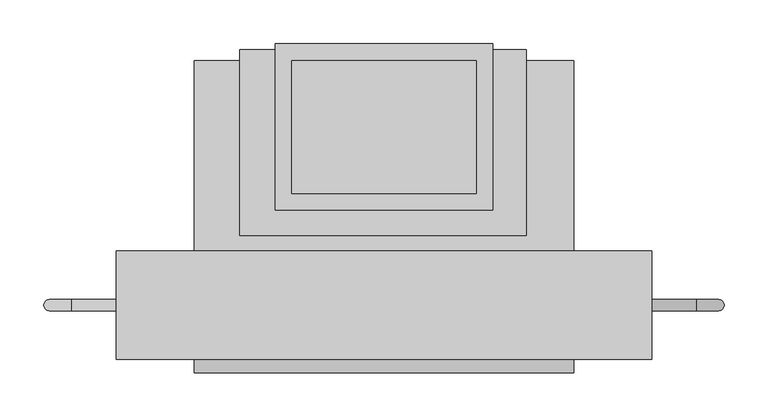
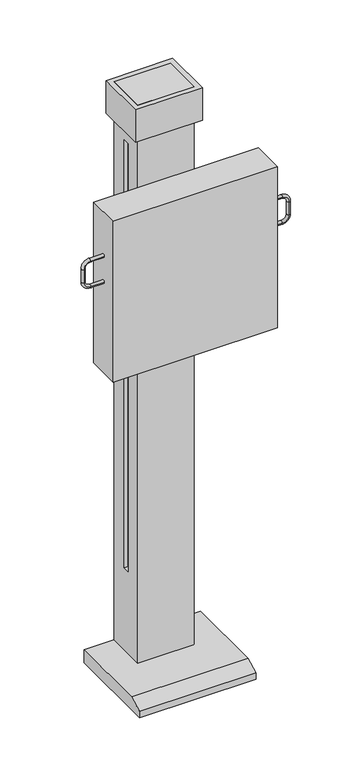
"""IFC4 building model written with IfcOpenShell, lengths in millimetres: proxy geometry."""

from ifc_helpers import new_model, si_unit, point, frame, origin, place, context, project, spatial, polyline, circle_curve, ellipse_curve, trimmed, outline, extrude, faceted_brep, source, transform, mapped, element, save
from ifc_brep_helpers import plane_surface, cylinder_surface, revolved_surface, advanced_brep


def specialty_equipment_d1aa87e0(model_context):
    return source(origin(), model_context, "Body", "SolidModel", [
        advanced_brep(
        [(304.8, -312.8090237, 1794.4703125), (304.8, -325.5090237, 1794.4703125), (355.6, -325.5090237, 1794.4703125), (355.6, -312.8090237, 1794.4703125), (381.0, -312.8090237, 1769.0703125), (381.0, -325.5090237, 1769.0703125), (381.0, -325.5090237, 1718.2703125), (381.0, -312.8090237, 1718.2703125), (355.6, -312.8090237, 1692.8703125), (355.6, -325.5090237, 1692.8703125), (304.8, -312.8090237, 1692.8703125), (304.8, -325.5090237, 1692.8703125)],
        [
            (0, 1, circle_curve(frame((304.8, -319.1590237, 1794.4703125), z_axis=(-1.0, 0.0, 0.0), x_axis=(0.0, -1.0, 0.0)), 6.35)),
            (1, 0, circle_curve(frame((304.8, -319.1590237, 1794.4703125), z_axis=(-1.0, 0.0, 0.0), x_axis=(0.0, -1.0, 0.0)), 6.35)),
            (1, 2),
            (2, 3, circle_curve(frame((355.6, -319.1590237, 1794.4703125), z_axis=(-1.0, 0.0, 0.0), x_axis=(0.0, -1.0, 0.0)), 6.35)),
            (3, 0),
            (3, 2, circle_curve(frame((355.6, -319.1590237, 1794.4703125), z_axis=(-1.0, 0.0, 0.0), x_axis=(0.0, -1.0, 0.0)), 6.35)),
            (4, 3, circle_curve(frame((355.6, -312.8090237, 1769.0703125), z_axis=(0.0, -1.0, 0.0), x_axis=(0.0, 0.0, 1.0)), 25.4)),
            (2, 5, circle_curve(frame((355.6, -325.5090237, 1769.0703125), z_axis=(0.0, 1.0, 0.0), x_axis=(0.0, 0.0, 1.0)), 25.4)),
            (5, 4, circle_curve(frame((381.0, -319.1590237, 1769.0703125), z_axis=(0.0, 0.0, 1.0), x_axis=(0.0, -1.0, 0.0)), 6.35)),
            (4, 5, circle_curve(frame((381.0, -319.1590237, 1769.0703125), z_axis=(0.0, 0.0, 1.0), x_axis=(0.0, -1.0, 0.0)), 6.35)),
            (5, 6),
            (6, 7, circle_curve(frame((381.0, -319.1590237, 1718.2703125), z_axis=(0.0, 0.0, 1.0), x_axis=(0.0, -1.0, 0.0)), 6.35)),
            (7, 4),
            (7, 6, circle_curve(frame((381.0, -319.1590237, 1718.2703125), z_axis=(0.0, 0.0, 1.0), x_axis=(0.0, -1.0, 0.0)), 6.35)),
            (8, 7, circle_curve(frame((355.6, -312.8090237, 1718.2703125), z_axis=(0.0, -1.0, 0.0), x_axis=(1.0, 0.0, 0.0)), 25.4)),
            (6, 9, circle_curve(frame((355.6, -325.5090237, 1718.2703125), z_axis=(0.0, 1.0, 0.0), x_axis=(1.0, 0.0, 0.0)), 25.4)),
            (9, 8, circle_curve(frame((355.6, -319.1590237, 1692.8703125), z_axis=(1.0, 0.0, 0.0), x_axis=(0.0, -1.0, 0.0)), 6.35)),
            (8, 9, circle_curve(frame((355.6, -319.1590237, 1692.8703125), z_axis=(1.0, 0.0, 0.0), x_axis=(0.0, -1.0, 0.0)), 6.35)),
            (10, 11, circle_curve(frame((304.8, -319.1590237, 1692.8703125), z_axis=(-1.0, 0.0, 0.0), x_axis=(0.0, -1.0, 0.0)), 6.35)),
            (11, 10, circle_curve(frame((304.8, -319.1590237, 1692.8703125), z_axis=(-1.0, 0.0, 0.0), x_axis=(0.0, -1.0, 0.0)), 6.35)),
            (9, 11),
            (10, 8),
        ],
        [
            plane_surface(frame((304.8, -319.1590237, 1794.4703125), z_axis=(-1.0, 0.0, 0.0), x_axis=(0.0, -1.0, 0.0))),
            cylinder_surface(frame((304.8, -319.1590237, 1794.4703125), z_axis=(-1.0, 0.0, 0.0), x_axis=(0.0, -1.0, 0.0)), 6.35),
            revolved_surface(trimmed(ellipse_curve(frame((355.6, -319.1590237, 1794.4703125), z_axis=(-1.0, 0.0, 0.0), x_axis=(0.0, -1.0, 0.0)), 6.35, 6.35), [point((355.6, -325.5090237, 1794.4703125))], [point((355.6, -312.8090237, 1794.4703125))], True, "CARTESIAN"), (355.6, -319.1590237, 1769.0703125), (0.0, 1.0, 0.0)),
            revolved_surface(trimmed(ellipse_curve(frame((355.6, -319.1590237, 1794.4703125), z_axis=(-1.0, 0.0, 0.0), x_axis=(0.0, -1.0, 0.0)), 6.35, 6.35), [point((355.6, -312.8090237, 1794.4703125))], [point((355.6, -325.5090237, 1794.4703125))], True, "CARTESIAN"), (355.6, -319.1590237, 1769.0703125), (0.0, 1.0, 0.0)),
            cylinder_surface(frame((381.0, -319.1590237, 1769.0703125), z_axis=(0.0, 0.0, 1.0), x_axis=(0.0, -1.0, 0.0)), 6.35),
            revolved_surface(trimmed(ellipse_curve(frame((381.0, -319.1590237, 1718.2703125), z_axis=(0.0, 0.0, 1.0), x_axis=(0.0, -1.0, 0.0)), 6.35, 6.35), [point((381.0, -325.5090237, 1718.2703125))], [point((381.0, -312.8090237, 1718.2703125))], True, "CARTESIAN"), (355.6, -319.1590237, 1718.2703125), (0.0, 1.0, 0.0)),
            revolved_surface(trimmed(ellipse_curve(frame((381.0, -319.1590237, 1718.2703125), z_axis=(0.0, 0.0, 1.0), x_axis=(0.0, -1.0, 0.0)), 6.35, 6.35), [point((381.0, -312.8090237, 1718.2703125))], [point((381.0, -325.5090237, 1718.2703125))], True, "CARTESIAN"), (355.6, -319.1590237, 1718.2703125), (0.0, 1.0, 0.0)),
            plane_surface(frame((304.8, -319.1590237, 1692.8703125), z_axis=(-1.0, 0.0, 0.0), x_axis=(0.0, -1.0, 0.0))),
            cylinder_surface(frame((355.6, -319.1590237, 1692.8703125), z_axis=(1.0, 0.0, 0.0), x_axis=(0.0, -1.0, 0.0)), 6.35),
        ],
        [
            (0, [[1, 2]]),
            (1, [[-2, 3, 4, 5]]),
            (1, [[-1, -5, 6, -3]]),
            (2, [[7, -4, 8, 9]]),
            (3, [[-8, -6, -7, 10]]),
            (4, [[-9, 11, 12, 13]]),
            (4, [[-10, -13, 14, -11]]),
            (5, [[15, -12, 16, 17]]),
            (6, [[-16, -14, -15, 18]]),
            (7, [[19, 20]]),
            (8, [[-17, 21, -19, 22]]),
            (8, [[-18, -22, -20, -21]]),
        ],
    ),
        advanced_brep(
        [(-304.8, -312.8090237, 1794.4703125), (-304.8, -325.5090237, 1794.4703125), (-355.6, -312.8090237, 1794.4703125), (-355.6, -325.5090237, 1794.4703125), (-381.0, -325.5090237, 1769.0703125), (-381.0, -312.8090237, 1769.0703125), (-381.0, -312.8090237, 1718.2703125), (-381.0, -325.5090237, 1718.2703125), (-355.6, -325.5090237, 1692.8703125), (-355.6, -312.8090237, 1692.8703125), (-304.8, -312.8090237, 1692.8703125), (-304.8, -325.5090237, 1692.8703125)],
        [
            (0, 1, circle_curve(frame((-304.8, -319.1590237, 1794.4703125), z_axis=(1.0, 0.0, 0.0), x_axis=(0.0, -1.0, 0.0)), 6.35)),
            (1, 0, circle_curve(frame((-304.8, -319.1590237, 1794.4703125), z_axis=(1.0, 0.0, 0.0), x_axis=(0.0, -1.0, 0.0)), 6.35)),
            (0, 2),
            (2, 3, circle_curve(frame((-355.6, -319.1590237, 1794.4703125), z_axis=(1.0, 0.0, 0.0), x_axis=(0.0, -1.0, 0.0)), 6.35)),
            (3, 1),
            (3, 2, circle_curve(frame((-355.6, -319.1590237, 1794.4703125), z_axis=(1.0, 0.0, 0.0), x_axis=(0.0, -1.0, 0.0)), 6.35)),
            (4, 3, circle_curve(frame((-355.6, -325.5090237, 1769.0703125), z_axis=(0.0, 1.0, 0.0), x_axis=(0.0, 0.0, 1.0)), 25.4)),
            (2, 5, circle_curve(frame((-355.6, -312.8090237, 1769.0703125), z_axis=(0.0, -1.0, 0.0), x_axis=(0.0, 0.0, 1.0)), 25.4)),
            (5, 4, circle_curve(frame((-381.0, -319.1590237, 1769.0703125), z_axis=(0.0, 0.0, 1.0), x_axis=(0.0, -1.0, 0.0)), 6.35)),
            (4, 5, circle_curve(frame((-381.0, -319.1590237, 1769.0703125), z_axis=(0.0, 0.0, 1.0), x_axis=(0.0, -1.0, 0.0)), 6.35)),
            (5, 6),
            (6, 7, circle_curve(frame((-381.0, -319.1590237, 1718.2703125), z_axis=(0.0, 0.0, 1.0), x_axis=(0.0, -1.0, 0.0)), 6.35)),
            (7, 4),
            (7, 6, circle_curve(frame((-381.0, -319.1590237, 1718.2703125), z_axis=(0.0, 0.0, 1.0), x_axis=(0.0, -1.0, 0.0)), 6.35)),
            (8, 7, circle_curve(frame((-355.6, -325.5090237, 1718.2703125), z_axis=(0.0, 1.0, 0.0), x_axis=(-1.0, 0.0, 0.0)), 25.4)),
            (6, 9, circle_curve(frame((-355.6, -312.8090237, 1718.2703125), z_axis=(0.0, -1.0, 0.0), x_axis=(-1.0, 0.0, 0.0)), 25.4)),
            (9, 8, circle_curve(frame((-355.6, -319.1590237, 1692.8703125), z_axis=(-1.0, 0.0, 0.0), x_axis=(0.0, -1.0, 0.0)), 6.35)),
            (8, 9, circle_curve(frame((-355.6, -319.1590237, 1692.8703125), z_axis=(-1.0, 0.0, 0.0), x_axis=(0.0, -1.0, 0.0)), 6.35)),
            (10, 11, circle_curve(frame((-304.8, -319.1590237, 1692.8703125), z_axis=(1.0, 0.0, 0.0), x_axis=(0.0, -1.0, 0.0)), 6.35)),
            (11, 10, circle_curve(frame((-304.8, -319.1590237, 1692.8703125), z_axis=(1.0, 0.0, 0.0), x_axis=(0.0, -1.0, 0.0)), 6.35)),
            (9, 10),
            (11, 8),
        ],
        [
            plane_surface(frame((-304.8, -319.1590237, 1794.4703125), z_axis=(1.0, 0.0, 0.0), x_axis=(0.0, -1.0, 0.0))),
            cylinder_surface(frame((-304.8, -319.1590237, 1794.4703125), z_axis=(1.0, 0.0, 0.0), x_axis=(0.0, -1.0, 0.0)), 6.35),
            revolved_surface(trimmed(ellipse_curve(frame((-355.6, -319.1590237, 1794.4703125), z_axis=(1.0, 0.0, 0.0), x_axis=(0.0, -1.0, 0.0)), 6.35, 6.35), [point((-355.6, -312.8090237, 1794.4703125))], [point((-355.6, -325.5090237, 1794.4703125))], True, "CARTESIAN"), (-355.6, -319.1590237, 1769.0703125), (0.0, -1.0, 0.0)),
            revolved_surface(trimmed(ellipse_curve(frame((-355.6, -319.1590237, 1794.4703125), z_axis=(1.0, 0.0, 0.0), x_axis=(0.0, -1.0, 0.0)), 6.35, 6.35), [point((-355.6, -325.5090237, 1794.4703125))], [point((-355.6, -312.8090237, 1794.4703125))], True, "CARTESIAN"), (-355.6, -319.1590237, 1769.0703125), (0.0, -1.0, 0.0)),
            cylinder_surface(frame((-381.0, -319.1590237, 1769.0703125), z_axis=(0.0, 0.0, 1.0), x_axis=(0.0, -1.0, 0.0)), 6.35),
            revolved_surface(trimmed(ellipse_curve(frame((-381.0, -319.1590237, 1718.2703125), z_axis=(0.0, 0.0, 1.0), x_axis=(0.0, -1.0, 0.0)), 6.35, 6.35), [point((-381.0, -312.8090237, 1718.2703125))], [point((-381.0, -325.5090237, 1718.2703125))], True, "CARTESIAN"), (-355.6, -319.1590237, 1718.2703125), (0.0, -1.0, 0.0)),
            revolved_surface(trimmed(ellipse_curve(frame((-381.0, -319.1590237, 1718.2703125), z_axis=(0.0, 0.0, 1.0), x_axis=(0.0, -1.0, 0.0)), 6.35, 6.35), [point((-381.0, -325.5090237, 1718.2703125))], [point((-381.0, -312.8090237, 1718.2703125))], True, "CARTESIAN"), (-355.6, -319.1590237, 1718.2703125), (0.0, -1.0, 0.0)),
            plane_surface(frame((-304.8, -319.1590237, 1692.8703125), z_axis=(1.0, 0.0, 0.0), x_axis=(0.0, -1.0, 0.0))),
            cylinder_surface(frame((-355.6, -319.1590237, 1692.8703125), z_axis=(-1.0, 0.0, 0.0), x_axis=(0.0, -1.0, 0.0)), 6.35),
        ],
        [
            (0, [[1, 2]]),
            (1, [[-1, 3, 4, 5]]),
            (1, [[-2, -5, 6, -3]]),
            (2, [[7, -4, 8, 9]]),
            (3, [[-8, -6, -7, 10]]),
            (4, [[-9, 11, 12, 13]]),
            (4, [[-10, -13, 14, -11]]),
            (5, [[15, -12, 16, 17]]),
            (6, [[-16, -14, -15, 18]]),
            (7, [[19, 20]]),
            (8, [[-17, 21, -20, 22]]),
            (8, [[-18, -22, -19, -21]]),
        ],
    ),
        faceted_brep([(-89.1115718, -27.751234, 1778.0), (-164.2101307, -27.751234, 1778.0), (-164.2101307, -239.8347527, 1778.0), (162.1447057, -239.8347527, 1778.0), (162.1447057, -27.751234, 1778.0), (89.1115718, -27.751234, 1778.0), (89.1115718, -40.3585943, 1778.0), (104.8997688, -40.3585943, 1778.0), (104.8997688, -106.5927171, 1778.0), (104.8997688, -131.9927171, 1778.0), (104.8997688, -191.8804826, 1778.0), (-104.8997688, -191.8804826, 1778.0), (-104.8997688, -131.9927171, 1778.0), (-104.8997688, -106.5927171, 1778.0), (-104.8997688, -40.3585943, 1778.0), (-89.1115718, -40.3585943, 1778.0), (-89.1115718, -27.751234, 1524.0), (-89.1115718, -40.3585943, 1524.0), (-104.8997688, -40.3585943, 1524.0), (-104.8997688, -106.5927171, 1524.0), (-104.8997688, -131.9927171, 1524.0), (-104.8997688, -191.8804826, 1524.0), (104.8997688, -191.8804826, 1524.0), (104.8997688, -131.9927171, 1524.0), (104.8997688, -106.5927171, 1524.0), (104.8997688, -40.3585943, 1524.0), (89.1115718, -40.3585943, 1524.0), (89.1115718, -27.751234, 1524.0), (162.1447057, -27.751234, 1524.0), (162.1447057, -239.8347527, 1524.0), (-164.2101307, -239.8347527, 1524.0), (-164.2101307, -27.751234, 1524.0)], [[[0, 1, 2, 3, 4, 5, 6, 7, 8, 9, 10, 11, 12, 13, 14, 15]], [[16, 17, 18, 19, 20, 21, 22, 23, 24, 25, 26, 27, 28, 29, 30, 31]], [[1, 0, 16, 31]], [[2, 1, 31, 30]], [[3, 2, 30, 29]], [[4, 3, 29, 28]], [[5, 4, 28, 27]], [[6, 5, 27, 26]], [[7, 6, 26, 25]], [[7, 25, 24, 23, 22, 10, 9, 8]], [[11, 10, 22, 21]], [[11, 21, 20, 19, 18, 14, 13, 12]], [[15, 14, 18, 17]], [[0, 15, 17, 16]]]),
        faceted_brep([(-104.8997688, -191.8804826, 2235.2), (104.8997688, -191.8804826, 2235.2), (104.8997688, -40.3585943, 2235.2), (-104.8997688, -40.3585943, 2235.2), (-104.8997688, -191.8804826, 0.0), (-104.8997688, -40.3585943, 0.0), (104.8997688, -40.3585943, 0.0), (104.8997688, -191.8804826, 0.0), (104.8997688, -131.9927171, 2049.0518485), (104.8997688, -106.5927171, 2049.0518485), (104.8997688, -106.5927171, 372.6518485), (104.8997688, -131.9927171, 372.6518485), (-104.8997688, -106.5927171, 2049.0518485), (-104.8997688, -131.9927171, 2049.0518485), (-104.8997688, -131.9927171, 372.6518485), (-104.8997688, -106.5927171, 372.6518485), (92.1997688, -106.5927171, 2049.0518485), (92.1997688, -131.9927171, 2049.0518485), (92.1997688, -131.9927171, 372.6518485), (92.1997688, -106.5927171, 372.6518485), (-92.1997688, -106.5927171, 2049.0518485), (-92.1997688, -106.5927171, 372.6518485), (-92.1997688, -131.9927171, 372.6518485), (-92.1997688, -131.9927171, 2049.0518485)], [[[0, 1, 2, 3]], [[4, 5, 6, 7]], [[1, 0, 4, 7]], [[2, 1, 7, 6], [8, 9, 10, 11]], [[3, 2, 6, 5]], [[0, 3, 5, 4], [12, 13, 14, 15]], [[16, 17, 18, 19]], [[17, 16, 9, 8]], [[18, 17, 8, 11]], [[19, 18, 11, 10]], [[16, 19, 10, 9]], [[20, 21, 22, 23]], [[20, 23, 13, 12]], [[23, 22, 14, 13]], [[22, 21, 15, 14]], [[21, 20, 12, 15]]]),
        extrude(outline(polyline([(-123.9497688, -21.3085943), (123.9497688, -21.3085943), (123.9497688, -210.9304826), (-123.9497688, -210.9304826), (-123.9497688, -21.3085943)])), frame((0.0, 0.0, 2108.2), z_axis=(0.0, 0.0, 1.0), x_axis=(1.0, 0.0, 0.0)), (0.0, 0.0, 1.0), 127.0),
        extrude(outline(polyline([(-304.8, -257.3180475), (304.8, -257.3180475), (304.8, -381.0), (-304.8, -381.0), (-304.8, -257.3180475)])), frame((0.0, 0.0, 1336.0796875), z_axis=(0.0, 0.0, 1.0), x_axis=(1.0, 0.0, 0.0)), (0.0, 0.0, 1.0), 629.840625),
        extrude(outline(polyline([(-40.3585943, 50.8), (-40.3585943, 0.0), (-395.9585943, 0.0), (-395.9585943, 25.4), (-345.1585943, 50.8), (-40.3585943, 50.8)])), frame((-215.9, 0.0, 0.0), z_axis=(1.0, 0.0, 0.0), x_axis=(0.0, 1.0, 0.0)), (0.0, 0.0, 1.0), 431.8),
    ])


if __name__ == "__main__":
    model = new_model("IFC4")
    model_context = context("Model", 3, world=origin())
    ifc_project = project(units=[si_unit("LENGTHUNIT", "METRE", prefix="MILLI")], contexts=[model_context])
    site = spatial("IfcSite", under=ifc_project)
    building = spatial("IfcBuilding", under=site)
    placement = place(None, origin())
    specialty_equipment_shape = specialty_equipment_d1aa87e0(model_context)
    element("IfcBuildingElementProxy", 1, Name="Specialty Equipment", at=placement, inside=building, context=model_context, shape_type="MappedRepresentation", body=[
        mapped(specialty_equipment_shape, transform((0.0, 0.0, 0.0), x_axis=(1.0, 0.0, 0.0), y_axis=(0.0, 1.0, 0.0), z_axis=(0.0, 0.0, 1.0))),
    ])
    save(model, "model.ifc")
